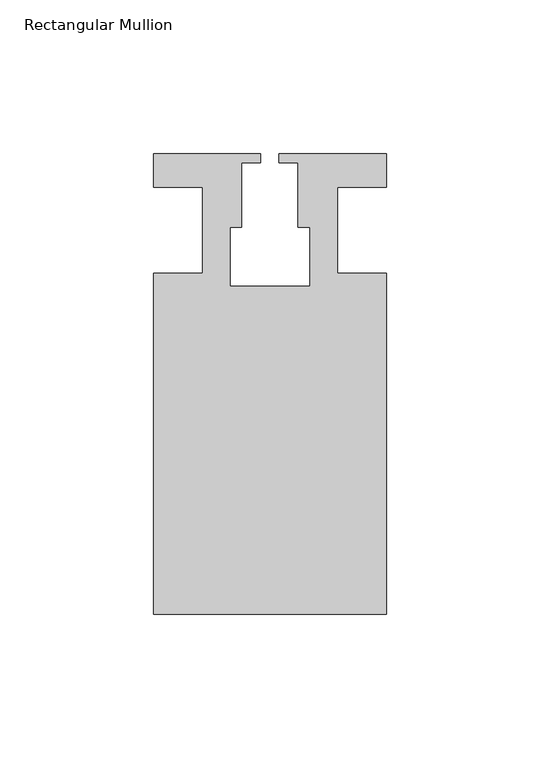
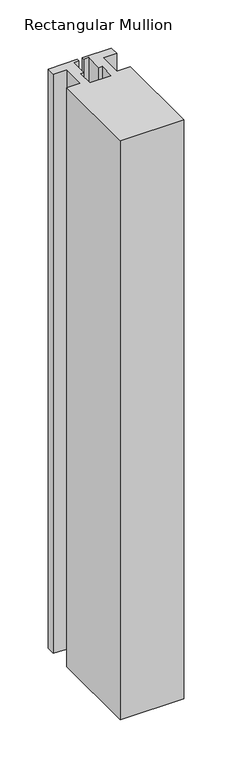
"""IFC4 building model written with IfcOpenShell, lengths in millimetres: member geometry, Rectangular Mullion."""

from ifc_helpers import new_model, si_unit, frame, origin, place, context, project, spatial, polyline, outline, extrude, source, transform, mapped, element, save


def rectangular_mullion_314413f8(model_context):
    return source(origin(), model_context, "Body", "SweptSolid", [
        extrude(outline(polyline([(37.9999914, -124.9960123), (-37.9999896, -124.9960123), (-37.9999896, -13.9959029), (-21.9999633, -13.9959029), (-21.9999633, 14.0039877), (-37.9999896, 14.0039877), (-37.9999896, 25.0039877), (-2.9999896, 25.0039877), (-2.9999896, 22.0039877), (-9.1999633, 22.0039877), (-9.1999633, 1.0039877), (-12.9999633, 1.0039877), (-12.9999633, -18.1960075), (12.9999651, -18.1960075), (12.9999651, 1.0039877), (9.1999651, 1.0039877), (9.1999651, 22.0039877), (2.9999651, 22.0039877), (2.9999651, 25.0039877), (37.9999896, 25.0039877), (37.9999896, 14.0039877), (21.9999651, 14.0039877), (21.9999651, -13.9960123), (37.9999914, -13.9960123), (37.9999914, -124.9960123)])), frame((0.0, 0.0, -734.958673), z_axis=(0.0, 0.0, 1.0), x_axis=(1.0, 0.0, 0.0)), (0.0, 0.0, 1.0), 734.958673),
    ])


if __name__ == "__main__":
    model = new_model("IFC4")
    model_context = context("Model", 3, world=origin())
    ifc_project = project(units=[si_unit("LENGTHUNIT", "METRE", prefix="MILLI")], contexts=[model_context])
    site = spatial("IfcSite", under=ifc_project)
    building = spatial("IfcBuilding", under=site)
    placement = place(None, origin())
    rectangular_mullion_shape = rectangular_mullion_314413f8(model_context)
    element("IfcMember", 1, ObjectType="Rectangular Mullion", at=placement, inside=building, context=model_context, shape_type="MappedRepresentation", body=[
        mapped(rectangular_mullion_shape, transform((0.0, 0.0, 0.0), x_axis=(1.0, 0.0, 0.0), y_axis=(0.0, 1.0, 0.0), z_axis=(0.0, 0.0, 1.0))),
    ])
    save(model, "model.ifc")
